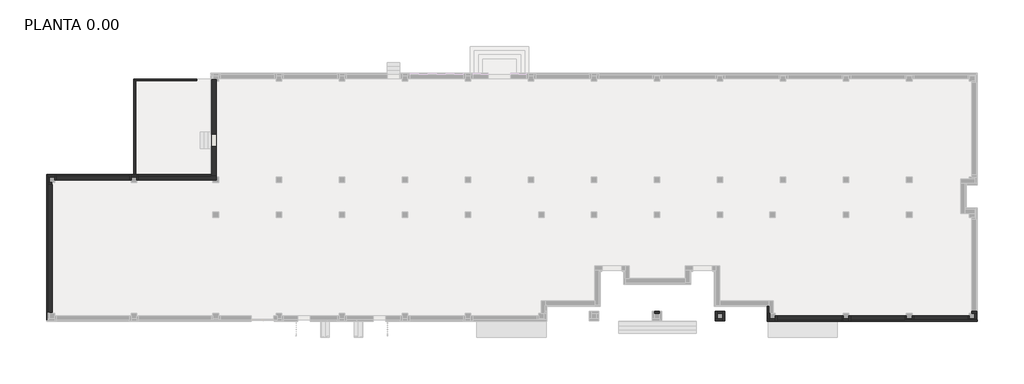
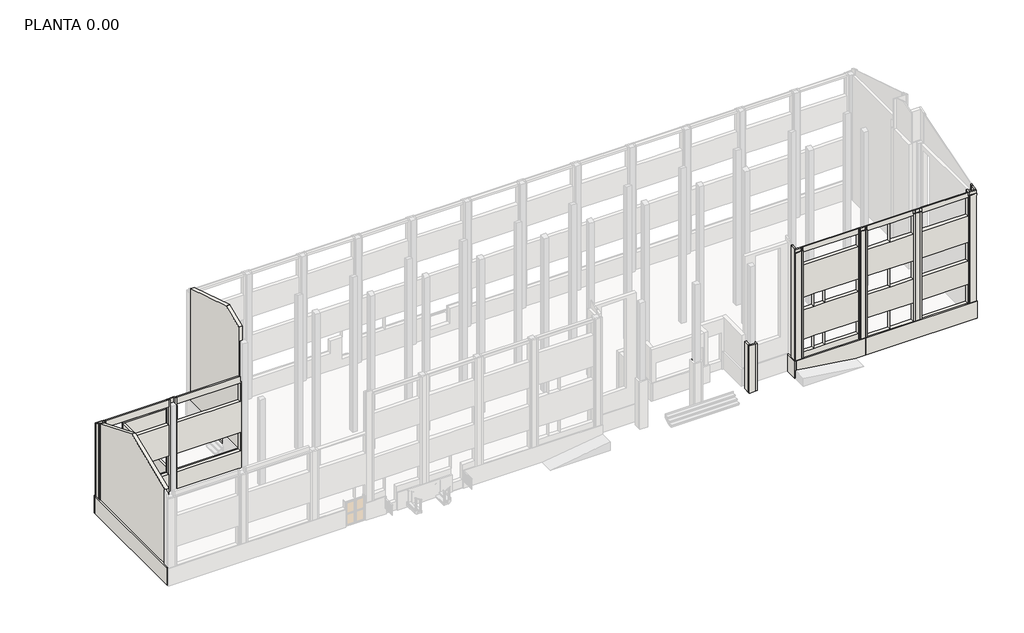
# One storey, part 2 of 6: 38 walls.
"""IFC4 building model written with IfcOpenShell, lengths in millimetres."""

from ifc_helpers import new_model, si_unit, frame, origin, origin_with_axes, place, context, project, spatial, polyline, outline, extrude, faceted_brep, element, save

model = new_model("IFC4")

# Units and contexts
model_context = context("Model", 3, world=origin())
ifc_project = project(units=[si_unit("LENGTHUNIT", "METRE", prefix="MILLI")], contexts=[model_context])

# Site, building, storey
site = spatial("IfcSite", under=ifc_project)
building = spatial("IfcBuilding", under=site)
storey = spatial("IfcBuildingStorey", under=building, Name="PLANTA 0.00", Elevation=0.0)

# Walls
placement = place(None, origin())
element("IfcWall", 1, at=placement, inside=storey, context=model_context, shape_type="Brep", body=[
    faceted_brep([(-31870.0, 9620.0360393, 0.0), (-43580.0, 9620.0360393, 0.0), (-43580.0, 9620.0360393, 1500.0), (-31870.0, 9620.0360393, 1500.0), (-31870.0, 9520.0360393, 0.0), (-31870.0, 9520.0360393, 1500.0), (-43480.0, 9520.0360393, 1500.0), (-43580.0, 9520.0360393, 1500.0), (-43580.0, 9520.0360393, 0.0), (-43480.0, 9520.0360393, 0.0)], [[[0, 1, 2, 3]], [[4, 5, 6, 7, 8, 9]], [[1, 0, 4, 9, 8]], [[3, 2, 7, 6, 5]], [[2, 1, 8, 7]], [[0, 3, 5, 4]]]),
])
element("IfcWall", 2, at=placement, inside=storey, context=model_context, shape_type="SweptSolid", body=[
    extrude(outline(polyline([(-43480.0, 9520.0360393), (-43480.0, -787.1086819), (-43580.0, -787.1086819), (-43580.0, 9520.0360393), (-43480.0, 9520.0360393)])), origin_with_axes(), (0.0, 0.0, 1.0), 1500.0),
])
element("IfcWall", 3, at=placement, inside=storey, context=model_context, shape_type="Brep", body=[
    faceted_brep([(7880.0, 180.0, 0.0), (7880.0, -870.0, 0.0), (7880.0, -870.0, 1500.0), (7880.0, 180.0, 1500.0), (7980.0, 180.0, 0.0), (7980.0, 180.0, 1500.0), (7980.0, -707.1086819, 1500.0), (7980.0, -770.0, 1500.0), (7980.0, -837.1086819, 1500.0), (7980.0, -870.0, 1500.0), (7980.0, -870.0, 0.0), (7980.0, -837.1086819, 0.0), (7980.0, -770.0, 0.0), (7980.0, -707.1086819, 0.0)], [[[0, 1, 2, 3]], [[4, 5, 6, 7, 8, 9, 10, 11, 12, 13]], [[1, 0, 4, 13, 12, 11, 10]], [[3, 2, 9, 8, 7, 6, 5]], [[0, 3, 5, 4]], [[2, 1, 10, 9]]]),
])
element("IfcWall", 4, at=placement, inside=storey, context=model_context, shape_type="Brep", body=[
    faceted_brep([(7980.0, -870.0, 0.0), (22870.0, -870.0, 0.0), (22870.0, -870.0, 1500.0), (7980.0, -870.0, 1500.0), (7980.0, -770.0, 0.0), (7980.0, -770.0, 1500.0), (22130.0, -770.0, 1500.0), (22770.0, -770.0, 1500.0), (22870.0, -770.0, 1500.0), (22870.0, -770.0, 0.0), (22770.0, -770.0, 0.0)], [[[0, 1, 2, 3]], [[4, 5, 6, 7, 8, 9, 10]], [[1, 0, 4, 10, 9]], [[3, 2, 8, 7, 6, 5]], [[0, 3, 5, 4]], [[2, 1, 9, 8]]]),
])
element("IfcWall", 5, ObjectType="ME1_13 cm", at=placement, inside=storey, context=model_context, shape_type="Brep", body=[
    faceted_brep([(-43000.0, 9580.0360393, 0.0), (-43530.0, 9580.0360393, 0.0), (-43530.0, 9580.0360393, 7809.6658856), (-43000.0, 9580.0360393, 7809.6658856), (-43000.0, 9450.0360393, 0.0), (-43000.0, 9450.0360393, 7863.3558856), (-43400.0, 9450.0360393, 7863.3558856), (-43530.0, 9450.0360393, 7863.3558856), (-43530.0, 9450.0360393, 0.0), (-43400.0, 9450.0360393, 0.0)], [[[0, 1, 2, 3]], [[4, 5, 6, 7, 8, 9]], [[1, 0, 4, 9, 8]], [[2, 1, 8, 7]], [[0, 3, 5, 4]], [[3, 2, 7, 6, 5]]]),
])
element("IfcWall", 6, ObjectType="ME1_13 cm", at=placement, inside=storey, context=model_context, shape_type="SweptSolid", body=[
    extrude(outline(polyline([(9450.0360393, 0.0), (9050.0360393, 0.0), (9050.0360393, 8028.5558856), (9450.0360393, 7863.3558856), (9450.0360393, 0.0)])), frame((-43530.0, 0.0, 0.0), z_axis=(1.0, 0.0, 0.0), x_axis=(0.0, 1.0, 0.0)), (0.0, 0.0, 1.0), 130.0),
])
element("IfcWall", 7, ObjectType="ME1_13 cm", at=placement, inside=storey, context=model_context, shape_type="Brep", body=[
    faceted_brep([(-43530.0, 8920.0360393, 0.0), (-43470.0, 8920.0360393, 0.0), (-43200.0, 8920.0360393, 0.0), (-43200.0, 8920.0360393, 8082.2458856), (-43470.0, 8920.0360393, 8082.2458856), (-43530.0, 8920.0360393, 8082.2458856), (-43530.0, 9050.0360393, 0.0), (-43530.0, 9050.0360393, 8028.5558856), (-43400.0, 9050.0360393, 8028.5558856), (-43200.0, 9050.0360393, 8028.5558856), (-43200.0, 9050.0360393, 0.0), (-43400.0, 9050.0360393, 0.0)], [[[0, 1, 2, 3, 4, 5]], [[6, 7, 8, 9, 10, 11]], [[2, 1, 0, 6, 11, 10]], [[3, 2, 10, 9]], [[0, 5, 7, 6]], [[5, 4, 3, 9, 8, 7]]]),
])
element("IfcWall", 8, ObjectType="ME1_13 cm", at=placement, inside=storey, context=model_context, shape_type="Brep", body=[
    faceted_brep([(-43000.0, 9580.0360393, 0.0), (-43000.0, 9450.0360393, 0.0), (-43000.0, 9220.0360393, 0.0), (-43000.0, 9220.0360393, 7958.3458856), (-43000.0, 9450.0360393, 7863.3558856), (-43000.0, 9580.0360393, 7809.6658856), (-42870.0, 9580.0360393, 0.0), (-42870.0, 9580.0360393, 7809.6658856), (-42870.0, 9520.0360393, 7834.4458856), (-42870.0, 9220.0360393, 7958.3458856), (-42870.0, 9220.0360393, 7386.987234), (-42870.0, 9220.0360393, 5786.987234), (-42870.0, 9220.0360393, 3100.0), (-42870.0, 9220.0360393, 1500.0), (-42870.0, 9220.0360393, 0.0), (-42870.0, 9520.0360393, 0.0)], [[[0, 1, 2, 3, 4, 5]], [[6, 7, 8, 9, 10, 11, 12, 13, 14, 15]], [[2, 1, 0, 6, 15, 14]], [[0, 5, 7, 6]], [[3, 2, 14, 13, 12, 11, 10, 9]], [[5, 4, 3, 9, 8, 7]]]),
])
element("IfcWall", 9, ObjectType="ME1_13 cm", at=placement, inside=storey, context=model_context, shape_type="Brep", body=[
    faceted_brep([(-37550.0, 9220.0360393, 0.0), (-37550.0, 9450.0360393, 0.0), (-37550.0, 9580.0360393, 0.0), (-37550.0, 9580.0360393, 7809.6658856), (-37550.0, 9450.0360393, 7863.3558856), (-37550.0, 9220.0360393, 7958.3458856), (-37680.0, 9580.0360393, 0.0), (-37680.0, 9520.0360393, 0.0), (-37680.0, 9220.0360393, 0.0), (-37680.0, 9220.0360393, 1500.0), (-37680.0, 9520.0360393, 1500.0), (-37680.0, 9520.0360393, 3100.0), (-37680.0, 9220.0360393, 3100.0), (-37680.0, 9220.0360393, 5786.987234), (-37680.0, 9520.0360393, 5786.987234), (-37680.0, 9520.0360393, 7386.987234), (-37680.0, 9220.0360393, 7386.987234), (-37680.0, 9220.0360393, 7958.3458856), (-37680.0, 9520.0360393, 7834.4458856), (-37680.0, 9580.0360393, 7809.6658856), (-37669.9680391, 9220.0360393, 7386.987234), (-37669.9680391, 9220.0360393, 5786.987234), (-37669.9680391, 9220.0360393, 3100.0), (-37669.9680391, 9220.0360393, 1500.0), (-37669.9680391, 9520.0360393, 1500.0), (-37669.9680391, 9520.0360393, 3100.0), (-37669.9680391, 9520.0360393, 5786.987234), (-37669.9680391, 9520.0360393, 7386.987234)], [[[0, 1, 2, 3, 4, 5]], [[6, 7, 8, 9, 10, 11, 12, 13, 14, 15, 16, 17, 18, 19]], [[2, 1, 0, 8, 7, 6]], [[3, 2, 6, 19]], [[0, 5, 17, 16, 20, 21, 13, 12, 22, 23, 9, 8]], [[24, 25, 11, 10]], [[25, 24, 23, 22]], [[25, 22, 12, 11]], [[23, 24, 10, 9]], [[26, 27, 15, 14]], [[27, 20, 16, 15]], [[27, 26, 21, 20]], [[21, 26, 14, 13]], [[5, 4, 3, 19, 18, 17]]]),
])
element("IfcWall", 10, ObjectType="ME1_13 cm", at=placement, inside=storey, context=model_context, shape_type="Brep", body=[
    faceted_brep([(-37550.0, 9450.0360393, 0.0), (-37150.0319609, 9450.0360393, 0.0), (-37150.0319609, 9450.0360393, 7863.3558856), (-37550.0, 9450.0360393, 7863.3558856), (-37550.0, 9580.0360393, 0.0), (-37550.0, 9580.0360393, 7809.6658856), (-37150.0319609, 9580.0360393, 7809.6658856), (-37150.0319609, 9580.0360393, 0.0), (-37220.0, 9580.0360393, 0.0), (-37350.0, 9580.0360393, 0.0)], [[[0, 1, 2, 3]], [[4, 5, 6, 7, 8, 9]], [[1, 0, 4, 9, 8, 7]], [[0, 3, 5, 4]], [[2, 1, 7, 6]], [[3, 2, 6, 5]]]),
])
element("IfcWall", 11, ObjectType="ME1_13 cm", at=placement, inside=storey, context=model_context, shape_type="Brep", body=[
    faceted_brep([(-37150.0319609, 9580.0360393, 0.0), (-37150.0319609, 9450.0360393, 0.0), (-37150.0319609, 9220.0360393, 0.0), (-37150.0319609, 9220.0360393, 7958.3458856), (-37150.0319609, 9450.0360393, 7863.3558856), (-37150.0319609, 9580.0360393, 7809.6658856), (-37020.0319609, 9580.0360393, 0.0), (-37020.0319609, 9580.0360393, 7809.6658856), (-37020.0319609, 9520.0360393, 7834.4458856), (-37020.0319609, 9220.0360393, 7958.3458856), (-37020.0319609, 9220.0360393, 7386.987234), (-37020.0319609, 9220.0360393, 5786.987234), (-37020.0319609, 9220.0360393, 3100.0), (-37020.0319609, 9220.0360393, 1500.0), (-37020.0319609, 9220.0360393, 0.0), (-37020.0319609, 9520.0360393, 0.0)], [[[0, 1, 2, 3, 4, 5]], [[6, 7, 8, 9, 10, 11, 12, 13, 14, 15]], [[2, 1, 0, 6, 15, 14]], [[0, 5, 7, 6]], [[3, 2, 14, 13, 12, 11, 10, 9]], [[5, 4, 3, 9, 8, 7]]]),
])
element("IfcWall", 12, ObjectType="ME1_13 cm", at=placement, inside=storey, context=model_context, shape_type="Brep", body=[
    faceted_brep([(22470.0, -307.1086819, 0.0), (22690.0, -307.1086819, 0.0), (22820.0, -307.1086819, 0.0), (22820.0, -307.1086819, 11236.1425682), (22700.0, -307.1086819, 11236.1425682), (22700.0, -307.1086819, 10840.0), (22470.0, -307.1086819, 10840.0), (22470.0, -177.1086819, 0.0), (22470.0, -177.1086819, 10840.0), (22700.0, -177.1086819, 10840.0), (22700.0, -177.1086819, 11276.4425682), (22770.0, -177.1086819, 11276.4425682), (22820.0, -177.1086819, 11276.4425682), (22820.0, -177.1086819, 0.0), (22770.0, -177.1086819, 0.0)], [[[0, 1, 2, 3, 4, 5, 6]], [[7, 8, 9, 10, 11, 12, 13, 14]], [[2, 1, 0, 7, 14, 13]], [[3, 2, 13, 12]], [[0, 6, 8, 7]], [[4, 10, 9, 5]], [[6, 5, 9, 8]], [[4, 3, 12, 11, 10]]]),
])
element("IfcWall", 13, ObjectType="ME1_13 cm", at=placement, inside=storey, context=model_context, shape_type="Brep", body=[
    faceted_brep([(22690.0, -307.1086819, 0.0), (22690.0, -707.1086819, 0.0), (22690.0, -707.1086819, 11112.1425682), (22690.0, -307.1086819, 11236.1425682), (22820.0, -307.1086819, 0.0), (22820.0, -307.1086819, 11236.1425682), (22820.0, -707.1086819, 11112.1425682), (22820.0, -707.1086819, 10663.8), (22820.0, -707.1086819, 0.0), (22770.0, -707.1086819, 0.0), (22700.0, -307.1086819, 11236.1425682)], [[[0, 1, 2, 3]], [[4, 5, 6, 7, 8]], [[1, 0, 4, 8, 9]], [[0, 3, 10, 5, 4]], [[3, 2, 6, 5, 10]], [[1, 9, 8, 7, 6, 2]]]),
])
element("IfcWall", 14, ObjectType="ME1_13 cm", at=placement, inside=storey, context=model_context, shape_type="Brep", body=[
    faceted_brep([(22770.0, -707.1086819, 10663.8), (22770.0, -707.1086819, 0.0), (22690.0, -707.1086819, 0.0), (22300.0, -707.1086819, 0.0), (22300.0, -707.1086819, 11112.1425682), (22690.0, -707.1086819, 11112.1425682), (22820.0, -707.1086819, 11112.1425682), (22820.0, -707.1086819, 10663.8), (22770.0, -837.1086819, 0.0), (22770.0, -837.1086819, 10663.8), (22820.0, -837.1086819, 10663.8), (22820.0, -837.1086819, 10840.0), (22300.0, -837.1086819, 10840.0), (22300.0, -837.1086819, 0.0), (22770.0, -770.0, 0.0), (22300.0, -778.5363213, 10840.0), (22300.0, -778.5363213, 11090.0), (22820.0, -778.5363213, 11090.0), (22820.0, -778.5363213, 10840.0), (22770.0, -770.0, 10663.8)], [[[0, 1, 2, 3, 4, 5, 6, 7]], [[8, 9, 10, 11, 12, 13]], [[3, 2, 1, 14, 8, 13]], [[4, 3, 13, 12, 15, 16]], [[6, 5, 4, 16, 17]], [[15, 12, 11, 18]], [[15, 18, 17, 16]], [[7, 10, 9, 19, 0]], [[0, 19, 9, 8, 14, 1]], [[7, 6, 17, 18, 11, 10]]]),
])
element("IfcWall", 15, ObjectType="ME1_13 cm", at=placement, inside=storey, context=model_context, shape_type="Brep", body=[
    faceted_brep([(22300.0, -837.1086819, 0.0), (22300.0, -707.1086819, 0.0), (22300.0, -477.1086819, 0.0), (22300.0, -477.1086819, 11183.4425682), (22300.0, -707.1086819, 11112.1425682), (22300.0, -778.5363213, 11090.0), (22300.0, -778.5363213, 10840.0), (22300.0, -837.1086819, 10840.0), (22170.0, -837.1086819, 0.0), (22170.0, -837.1086819, 10840.0), (22170.0, -778.5363213, 10840.0), (22170.0, -778.5363213, 11090.0), (22170.0, -777.1086819, 11090.4425682), (22170.0, -707.1086819, 11112.1425682), (22170.0, -477.1086819, 11183.4425682), (22170.0, -477.1086819, 10840.0), (22170.0, -477.1086819, 0.0), (22170.0, -777.1086819, 0.0)], [[[0, 1, 2, 3, 4, 5, 6, 7]], [[8, 9, 10, 11, 12, 13, 14, 15, 16, 17]], [[2, 1, 0, 8, 17, 16]], [[0, 7, 9, 8]], [[7, 6, 10, 9]], [[10, 6, 5, 11]], [[5, 4, 3, 14, 13, 12, 11]], [[3, 2, 16, 15, 14]]]),
])
element("IfcWall", 16, ObjectType="ME1_13 cm", at=placement, inside=storey, context=model_context, shape_type="Brep", body=[
    faceted_brep([(18200.0, -477.1086819, 0.0), (18200.0, -707.1086819, 0.0), (18200.0, -837.1086819, 0.0), (18200.0, -837.1086819, 10840.0), (18200.0, -778.5363213, 10840.0), (18200.0, -778.5363213, 11090.0), (18200.0, -707.1086819, 11112.1425682), (18200.0, -707.1086819, 10840.0), (18200.0, -477.1086819, 10840.0), (18330.0, -477.1086819, 0.0), (18330.0, -477.1086819, 10840.0), (18330.0, -707.1086819, 10840.0), (18330.0, -707.1086819, 11112.1425682), (18330.0, -777.1086819, 11090.4425682), (18330.0, -778.5363213, 11090.0), (18330.0, -778.5363213, 10840.0), (18330.0, -837.1086819, 10840.0), (18330.0, -837.1086819, 0.0), (18330.0, -777.1086819, 0.0)], [[[0, 1, 2, 3, 4, 5, 6, 7, 8]], [[9, 10, 11, 12, 13, 14, 15, 16, 17, 18]], [[2, 1, 0, 9, 18, 17]], [[0, 8, 10, 9]], [[6, 12, 11, 7]], [[8, 7, 11, 10]], [[4, 3, 16, 15]], [[4, 15, 14, 5]], [[6, 5, 14, 13, 12]], [[2, 17, 16, 3]]]),
])
element("IfcWall", 17, ObjectType="ME1_13 cm", at=placement, inside=storey, context=model_context, shape_type="Brep", body=[
    faceted_brep([(18200.0, -707.1086819, 11112.1425682), (18200.0, -707.1086819, 10840.0), (18200.0, -707.1086819, 0.0), (17800.0, -707.1086819, 0.0), (17800.0, -707.1086819, 10840.0), (17800.0, -707.1086819, 11112.1425682), (18200.0, -837.1086819, 0.0), (18200.0, -837.1086819, 10840.0), (17800.0, -837.1086819, 10840.0), (17800.0, -837.1086819, 0.0), (17800.0, -778.5363213, 10840.0), (17800.0, -778.5363213, 11090.0), (18200.0, -778.5363213, 11090.0), (18200.0, -778.5363213, 10840.0)], [[[0, 1, 2, 3, 4, 5]], [[6, 7, 8, 9]], [[3, 2, 6, 9]], [[5, 4, 3, 9, 8, 10, 11]], [[0, 5, 11, 12]], [[10, 8, 7, 13]], [[10, 13, 12, 11]], [[0, 12, 13, 7, 6, 2, 1]]]),
])
element("IfcWall", 18, ObjectType="ME1_13 cm", at=placement, inside=storey, context=model_context, shape_type="Brep", body=[
    faceted_brep([(17800.0, -837.1086819, 0.0), (17800.0, -707.1086819, 0.0), (17800.0, -477.1086819, 0.0), (17800.0, -477.1086819, 10840.0), (17800.0, -707.1086819, 10840.0), (17800.0, -707.1086819, 11112.1425682), (17800.0, -778.5363213, 11090.0), (17800.0, -778.5363213, 10840.0), (17800.0, -837.1086819, 10840.0), (17670.0, -837.1086819, 0.0), (17670.0, -837.1086819, 10840.0), (17670.0, -778.5363213, 10840.0), (17670.0, -778.5363213, 11090.0), (17670.0, -777.1086819, 11090.4425682), (17670.0, -707.1086819, 11112.1425682), (17670.0, -707.1086819, 10840.0), (17670.0, -477.1086819, 10840.0), (17670.0, -477.1086819, 0.0), (17670.0, -777.1086819, 0.0)], [[[0, 1, 2, 3, 4, 5, 6, 7, 8]], [[9, 10, 11, 12, 13, 14, 15, 16, 17, 18]], [[2, 1, 0, 9, 18, 17]], [[0, 8, 10, 9]], [[3, 2, 17, 16]], [[14, 5, 4, 15]], [[4, 3, 16, 15]], [[8, 7, 11, 10]], [[11, 7, 6, 12]], [[6, 5, 14, 13, 12]]]),
])
element("IfcWall", 19, ObjectType="ME1_13 cm", at=placement, inside=storey, context=model_context, shape_type="Brep", body=[
    faceted_brep([(13700.0, -477.1086819, 0.0), (13700.0, -707.1086819, 0.0), (13700.0, -837.1086819, 0.0), (13700.0, -837.1086819, 10840.0), (13700.0, -778.5363213, 10840.0), (13700.0, -778.5363213, 11090.0), (13700.0, -707.1086819, 11112.1425682), (13700.0, -707.1086819, 10840.0), (13700.0, -477.1086819, 10840.0), (13830.0, -477.1086819, 0.0), (13830.0, -477.1086819, 10840.0), (13830.0, -707.1086819, 10840.0), (13830.0, -707.1086819, 11112.1425682), (13830.0, -777.1086819, 11090.4425682), (13830.0, -778.5363213, 11090.0), (13830.0, -778.5363213, 10840.0), (13830.0, -837.1086819, 10840.0), (13830.0, -837.1086819, 0.0), (13830.0, -777.1086819, 0.0)], [[[0, 1, 2, 3, 4, 5, 6, 7, 8]], [[9, 10, 11, 12, 13, 14, 15, 16, 17, 18]], [[2, 1, 0, 9, 18, 17]], [[0, 8, 10, 9]], [[6, 12, 11, 7]], [[8, 7, 11, 10]], [[4, 3, 16, 15]], [[4, 15, 14, 5]], [[6, 5, 14, 13, 12]], [[2, 17, 16, 3]]]),
])
element("IfcWall", 20, ObjectType="ME1_13 cm", at=placement, inside=storey, context=model_context, shape_type="Brep", body=[
    faceted_brep([(13700.0, -707.1086819, 11112.1425682), (13700.0, -707.1086819, 10840.0), (13700.0, -707.1086819, 0.0), (13300.0, -707.1086819, 0.0), (13300.0, -707.1086819, 10840.0), (13300.0, -707.1086819, 11112.1425682), (13700.0, -837.1086819, 0.0), (13700.0, -837.1086819, 10840.0), (13300.0, -837.1086819, 10840.0), (13300.0, -837.1086819, 0.0), (13300.0, -778.5363213, 10840.0), (13300.0, -778.5363213, 11090.0), (13700.0, -778.5363213, 11090.0), (13700.0, -778.5363213, 10840.0)], [[[0, 1, 2, 3, 4, 5]], [[6, 7, 8, 9]], [[3, 2, 6, 9]], [[5, 4, 3, 9, 8, 10, 11]], [[0, 5, 11, 12]], [[10, 8, 7, 13]], [[10, 13, 12, 11]], [[0, 12, 13, 7, 6, 2, 1]]]),
])
element("IfcWall", 21, ObjectType="ME1_13 cm", at=placement, inside=storey, context=model_context, shape_type="Brep", body=[
    faceted_brep([(13300.0, -837.1086819, 0.0), (13300.0, -707.1086819, 0.0), (13300.0, -470.0, 0.0), (13300.0, -470.0, 10840.0), (13300.0, -707.1086819, 10840.0), (13300.0, -707.1086819, 11112.1425682), (13300.0, -778.5363213, 11090.0), (13300.0, -778.5363213, 10840.0), (13300.0, -837.1086819, 10840.0), (13170.0, -837.1086819, 0.0), (13170.0, -837.1086819, 10840.0), (13170.0, -778.5363213, 10840.0), (13170.0, -778.5363213, 11090.0), (13170.0, -770.0, 11092.6462596), (13170.0, -707.1086819, 11112.1425682), (13170.0, -707.1086819, 10840.0), (13170.0, -470.0, 10840.0), (13170.0, -470.0, 0.0), (13170.0, -770.0, 0.0)], [[[0, 1, 2, 3, 4, 5, 6, 7, 8]], [[9, 10, 11, 12, 13, 14, 15, 16, 17, 18]], [[2, 1, 0, 9, 18, 17]], [[0, 8, 10, 9]], [[3, 2, 17, 16]], [[14, 5, 4, 15]], [[4, 3, 16, 15]], [[8, 7, 11, 10]], [[11, 7, 6, 12]], [[6, 5, 14, 13, 12]]]),
])
element("IfcWall", 22, ObjectType="ME1_13 cm", at=placement, inside=storey, context=model_context, shape_type="Brep", body=[
    faceted_brep([(8450.0, -470.0, 0.0), (8450.0, -707.1086819, 0.0), (8450.0, -837.1086819, 0.0), (8450.0, -837.1086819, 10840.0), (8450.0, -778.5363213, 10840.0), (8450.0, -778.5363213, 11090.0), (8450.0, -707.1086819, 11112.1425682), (8450.0, -707.1086819, 10840.0), (8450.0, -470.0, 10840.0), (8580.0, -837.1086819, 0.0), (8580.0, -770.0, 0.0), (8580.0, -470.0, 0.0), (8580.0, -470.0, 2000.0), (8580.0, -770.0, 2000.0), (8580.0, -770.0, 3100.0), (8580.0, -470.0, 3100.0), (8580.0, -470.0, 5650.0), (8580.0, -770.0, 5650.0), (8580.0, -770.0, 6750.0), (8580.0, -470.0, 6750.0), (8580.0, -470.0, 9563.7791781), (8580.0, -770.0, 9563.7791781), (8580.0, -770.0, 10663.7791781), (8580.0, -470.0, 10663.7791781), (8580.0, -470.0, 10840.0), (8580.0, -707.1086819, 10840.0), (8580.0, -707.1086819, 11112.1425682), (8580.0, -770.0, 11092.6462596), (8580.0, -778.5363213, 11090.0), (8580.0, -778.5363213, 10840.0), (8580.0, -837.1086819, 10840.0), (8578.5, -470.0, 10663.7791781), (8578.5, -470.0, 9563.7791781), (8573.5, -470.0, 6750.0), (8573.5, -470.0, 5650.0), (8573.5, -470.0, 3100.0), (8573.5, -470.0, 2000.0), (8573.5, -770.0, 5650.0), (8573.5, -770.0, 6750.0), (8573.5, -770.0, 2000.0), (8573.5, -770.0, 3100.0), (8578.5, -770.0, 9563.7791781), (8578.5, -770.0, 10663.7791781)], [[[0, 1, 2, 3, 4, 5, 6, 7, 8]], [[9, 10, 11, 12, 13, 14, 15, 16, 17, 18, 19, 20, 21, 22, 23, 24, 25, 26, 27, 28, 29, 30]], [[2, 1, 0, 11, 10, 9]], [[0, 8, 24, 23, 31, 32, 20, 19, 33, 34, 16, 15, 35, 36, 12, 11]], [[26, 25, 7, 6]], [[8, 7, 25, 24]], [[3, 30, 29, 4]], [[4, 29, 28, 5]], [[26, 6, 5, 28, 27]], [[2, 9, 30, 3]], [[37, 38, 18, 17]], [[38, 37, 34, 33]], [[38, 33, 19, 18]], [[34, 37, 17, 16]], [[39, 40, 14, 13]], [[40, 39, 36, 35]], [[40, 35, 15, 14]], [[36, 39, 13, 12]], [[41, 42, 22, 21]], [[42, 41, 32, 31]], [[42, 31, 23, 22]], [[32, 41, 21, 20]]]),
])
element("IfcWall", 23, ObjectType="ME1_13 cm", at=placement, inside=storey, context=model_context, shape_type="Brep", body=[
    faceted_brep([(8450.0, -707.1086819, 11112.1425682), (8450.0, -707.1086819, 10840.0), (8450.0, -707.1086819, 0.0), (8050.0, -707.1086819, 0.0), (7980.0, -707.1086819, 0.0), (7980.0, -707.1086819, 1500.0), (7920.0, -707.1086819, 1500.0), (7920.0, -707.1086819, 11112.1425682), (8050.0, -707.1086819, 11112.1425682), (8450.0, -837.1086819, 0.0), (8450.0, -837.1086819, 10840.0), (7920.0, -837.1086819, 10840.0), (7920.0, -837.1086819, 1500.0), (7980.0, -837.1086819, 1500.0), (7980.0, -837.1086819, 0.0), (7920.0, -778.5363213, 11090.0), (8450.0, -778.5363213, 11090.0), (7920.0, -778.5363213, 10840.0), (8450.0, -778.5363213, 10840.0)], [[[0, 1, 2, 3, 4, 5, 6, 7, 8]], [[9, 10, 11, 12, 13, 14]], [[4, 3, 2, 9, 14]], [[0, 8, 7, 15, 16]], [[17, 11, 10, 18]], [[17, 18, 16, 15]], [[12, 6, 5, 13]], [[5, 4, 14, 13]], [[6, 12, 11, 17, 15, 7]], [[0, 16, 18, 10, 9, 2, 1]]]),
])
element("IfcWall", 24, ObjectType="ME1_13 cm", at=placement, inside=storey, context=model_context, shape_type="Brep", body=[
    faceted_brep([(8050.0, -707.1086819, 11112.1425682), (8050.0, -707.1086819, 0.0), (8050.0, -307.1086819, 0.0), (8050.0, -307.1086819, 10840.0), (8050.0, -307.1086819, 11236.1425682), (7920.0, -707.1086819, 0.0), (7920.0, -707.1086819, 1500.0), (7920.0, -707.1086819, 11112.1425682), (7920.0, -307.1086819, 11236.1425682), (7920.0, -307.1086819, 0.0), (7980.0, -707.1086819, 0.0), (7980.0, -307.1086819, 0.0), (7980.0, -307.1086819, 11236.1425682)], [[[0, 1, 2, 3, 4]], [[5, 6, 7, 8, 9]], [[2, 1, 10, 5, 9, 11]], [[4, 3, 2, 11, 9, 8, 12]], [[0, 4, 12, 8, 7]], [[0, 7, 6, 5, 10, 1]]]),
])
element("IfcWall", 25, ObjectType="ME1_13 cm", at=placement, inside=storey, context=model_context, shape_type="Brep", body=[
    faceted_brep([(4700.0, -177.1086819, 0.0), (4700.0, -307.1086819, 0.0), (4700.0, -707.1086819, 0.0), (4700.0, -837.1086819, 0.0), (4700.0, -837.1086819, 4100.0), (4700.0, -707.1086819, 4100.0), (4700.0, -307.1086819, 4100.0), (4700.0, -242.1086819, 4100.0), (4700.0, -177.1086819, 4100.0), (4830.0, -177.1086819, 0.0), (4830.0, -177.1086819, 4100.0), (4830.0, -242.1086819, 4100.0), (4830.0, -837.1086819, 4100.0), (4830.0, -837.1086819, 0.0)], [[[0, 1, 2, 3, 4, 5, 6, 7, 8]], [[9, 10, 11, 12, 13]], [[3, 2, 1, 0, 9, 13]], [[8, 7, 6, 5, 4, 12, 11, 10]], [[4, 3, 13, 12]], [[0, 8, 10, 9]]]),
])
element("IfcWall", 26, ObjectType="ME1_13 cm", at=placement, inside=storey, context=model_context, shape_type="Brep", body=[
    faceted_brep([(4700.0, -707.1086819, 0.0), (4300.0, -707.1086819, 0.0), (4170.0, -707.1086819, 0.0), (4170.0, -707.1086819, 4100.0), (4300.0, -707.1086819, 4100.0), (4700.0, -707.1086819, 4100.0), (4700.0, -837.1086819, 0.0), (4700.0, -837.1086819, 4100.0), (4170.0, -837.1086819, 4100.0), (4170.0, -837.1086819, 0.0)], [[[0, 1, 2, 3, 4, 5]], [[6, 7, 8, 9]], [[2, 1, 0, 6, 9]], [[5, 4, 3, 8, 7]], [[0, 5, 7, 6]], [[2, 9, 8, 3]]]),
])
element("IfcWall", 27, ObjectType="ME1_13 cm", at=placement, inside=storey, context=model_context, shape_type="Brep", body=[
    faceted_brep([(4300.0, -707.1086819, 4100.0), (4300.0, -707.1086819, 0.0), (4300.0, -307.1086819, 0.0), (4300.0, -177.1086819, 0.0), (4300.0, -177.1086819, 4100.0), (4300.0, -307.1086819, 4100.0), (4170.0, -707.1086819, 0.0), (4170.0, -707.1086819, 4100.0), (4170.0, -177.1086819, 4100.0), (4170.0, -177.1086819, 0.0)], [[[0, 1, 2, 3, 4, 5]], [[6, 7, 8, 9]], [[3, 2, 1, 6, 9]], [[0, 5, 4, 8, 7]], [[4, 3, 9, 8]], [[0, 7, 6, 1]]]),
])
element("IfcWall", 28, ObjectType="ME1_13 cm", at=placement, inside=storey, context=model_context, shape_type="SweptSolid", body=[
    extrude(outline(polyline([(4700.0, -307.1086819), (4300.0, -307.1086819), (4300.0, -177.1086819), (4700.0, -177.1086819), (4700.0, -307.1086819)])), origin_with_axes(), (0.0, 0.0, 1.0), 4100.0),
])
element("IfcWall", 29, ObjectType="ME1_13 cm", at=placement, inside=storey, context=model_context, shape_type="SweptSolid", body=[
    extrude(outline(polyline([(200.0, -307.1086819), (-200.0, -307.1086819), (-200.0, -177.1086819), (200.0, -177.1086819), (200.0, -307.1086819)])), origin_with_axes(), (0.0, 0.0, 1.0), 4100.0),
])
element("IfcWall", 30, ObjectType="ME1_13 cm", at=placement, inside=storey, context=model_context, shape_type="Brep", body=[
    faceted_brep([(-32870.0, 16450.0, 0.0), (-37350.0, 16450.0, 0.0), (-37350.0, 16450.0, 1500.0), (-32870.0, 16450.0, 1500.0), (-32870.0, 16320.0, 0.0), (-32870.0, 16320.0, 1500.0), (-37220.0, 16320.0, 1500.0), (-37350.0, 16320.0, 1500.0), (-37350.0, 16320.0, 0.0), (-37220.0, 16320.0, 0.0)], [[[0, 1, 2, 3]], [[4, 5, 6, 7, 8, 9]], [[1, 0, 4, 9, 8]], [[3, 2, 7, 6, 5]], [[0, 3, 5, 4]], [[2, 1, 8, 7]]]),
])
element("IfcWall", 31, ObjectType="ME1_13 cm", at=placement, inside=storey, context=model_context, shape_type="SweptSolid", body=[
    extrude(outline(polyline([(-37350.0, 9580.0360393), (-37350.0, 16320.0), (-37220.0, 16320.0), (-37220.0, 9580.0360393), (-37350.0, 9580.0360393)])), origin_with_axes(), (0.0, 0.0, 1.0), 1500.0),
])
element("IfcWall", 32, ObjectType="ME4_30 cm", at=placement, inside=storey, context=model_context, shape_type="Brep", body=[
    faceted_brep([(22170.0, -477.1086819, 0.0), (18330.0, -477.1086819, 0.0), (18330.0, -477.1086819, 10840.0), (22170.0, -477.1086819, 10840.0), (18335.0, -477.1086819, 3100.0), (18335.0, -477.1086819, 1500.0), (22135.0, -477.1086819, 1500.0), (22135.0, -477.1086819, 3100.0), (22135.0, -477.1086819, 5150.0), (22135.0, -477.1086819, 6750.0), (18335.0, -477.1086819, 6750.0), (18335.0, -477.1086819, 5150.0), (18335.0, -477.1086819, 9063.7791781), (22135.0, -477.1086819, 9063.7791781), (22135.0, -477.1086819, 10663.7791781), (18335.0, -477.1086819, 10663.7791781), (18330.0, -777.1086819, 0.0), (22170.0, -777.1086819, 0.0), (22170.0, -777.1086819, 11090.4425682), (18330.0, -777.1086819, 11090.4425682), (18335.0, -777.1086819, 1500.0), (18335.0, -777.1086819, 3100.0), (22135.0, -777.1086819, 3100.0), (22135.0, -777.1086819, 1500.0), (22135.0, -777.1086819, 6750.0), (22135.0, -777.1086819, 5150.0), (18335.0, -777.1086819, 5150.0), (18335.0, -777.1086819, 6750.0), (18335.0, -777.1086819, 10663.7791781), (22135.0, -777.1086819, 10663.7791781), (22135.0, -777.1086819, 9063.7791781), (18335.0, -777.1086819, 9063.7791781), (18330.0, -707.1086819, 11112.1425682), (18330.0, -707.1086819, 10840.0), (22170.0, -707.1086819, 11112.1425682), (22170.0, -707.1086819, 10840.0)], [[[0, 1, 2, 3], [4, 5, 6, 7], [8, 9, 10, 11], [12, 13, 14, 15]], [[16, 17, 18, 19], [20, 21, 22, 23], [24, 25, 26, 27], [28, 29, 30, 31]], [[1, 0, 17, 16]], [[2, 1, 16, 19, 32, 33]], [[33, 32, 34, 35]], [[3, 2, 33, 35]], [[21, 20, 5, 4]], [[21, 4, 7, 22]], [[5, 20, 23, 6]], [[6, 23, 22, 7]], [[9, 8, 25, 24]], [[9, 24, 27, 10]], [[25, 8, 11, 26]], [[26, 11, 10, 27]], [[14, 13, 30, 29]], [[14, 29, 28, 15]], [[12, 31, 30, 13]], [[31, 12, 15, 28]], [[32, 19, 18, 34]], [[0, 3, 35, 34, 18, 17]]]),
])
element("IfcWall", 33, ObjectType="ME4_30 cm", at=placement, inside=storey, context=model_context, shape_type="Brep", body=[
    faceted_brep([(17670.0, -477.1086819, 0.0), (13830.0, -477.1086819, 0.0), (13830.0, -477.1086819, 10840.0), (17670.0, -477.1086819, 10840.0), (13835.0, -477.1086819, 1500.0), (15735.0, -477.1086819, 1500.0), (15735.0, -477.1086819, 3100.0), (13835.0, -477.1086819, 3100.0), (15745.0, -477.1086819, 1500.0), (17645.0, -477.1086819, 1500.0), (17645.0, -477.1086819, 3100.0), (15745.0, -477.1086819, 3100.0), (15745.0, -477.1086819, 5150.0), (17645.0, -477.1086819, 5150.0), (17645.0, -477.1086819, 6750.0), (15745.0, -477.1086819, 6750.0), (13835.0, -477.1086819, 5150.0), (15735.0, -477.1086819, 5150.0), (15735.0, -477.1086819, 6750.0), (13835.0, -477.1086819, 6750.0), (15745.0, -477.1086819, 9063.7791781), (17645.0, -477.1086819, 9063.7791781), (17645.0, -477.1086819, 10663.7791781), (15745.0, -477.1086819, 10663.7791781), (13835.0, -477.1086819, 9063.7791781), (15735.0, -477.1086819, 9063.7791781), (15735.0, -477.1086819, 10663.7791781), (13835.0, -477.1086819, 10663.7791781), (17670.0, -777.1086819, 0.0), (17670.0, -777.1086819, 11090.4425682), (13830.0, -777.1086819, 11090.4425682), (13830.0, -777.1086819, 0.0), (13835.0, -777.1086819, 1500.0), (13835.0, -777.1086819, 3100.0), (15735.0, -777.1086819, 3100.0), (15735.0, -777.1086819, 1500.0), (15745.0, -777.1086819, 1500.0), (15745.0, -777.1086819, 3100.0), (17645.0, -777.1086819, 3100.0), (17645.0, -777.1086819, 1500.0), (15745.0, -777.1086819, 5150.0), (15745.0, -777.1086819, 6750.0), (17645.0, -777.1086819, 6750.0), (17645.0, -777.1086819, 5150.0), (13835.0, -777.1086819, 5150.0), (13835.0, -777.1086819, 6750.0), (15735.0, -777.1086819, 6750.0), (15735.0, -777.1086819, 5150.0), (15745.0, -777.1086819, 9063.7791781), (15745.0, -777.1086819, 10663.7791781), (17645.0, -777.1086819, 10663.7791781), (17645.0, -777.1086819, 9063.7791781), (13835.0, -777.1086819, 9063.7791781), (13835.0, -777.1086819, 10663.7791781), (15735.0, -777.1086819, 10663.7791781), (15735.0, -777.1086819, 9063.7791781), (17670.0, -707.1086819, 10840.0), (17670.0, -707.1086819, 11112.1425682), (13830.0, -707.1086819, 11112.1425682), (13830.0, -707.1086819, 10840.0)], [[[0, 1, 2, 3], [4, 5, 6, 7], [8, 9, 10, 11], [12, 13, 14, 15], [16, 17, 18, 19], [20, 21, 22, 23], [24, 25, 26, 27]], [[28, 29, 30, 31], [32, 33, 34, 35], [36, 37, 38, 39], [40, 41, 42, 43], [44, 45, 46, 47], [48, 49, 50, 51], [52, 53, 54, 55]], [[1, 0, 28, 31]], [[0, 3, 56, 57, 29, 28]], [[2, 1, 31, 30, 58, 59]], [[58, 57, 56, 59]], [[3, 2, 59, 56]], [[33, 32, 4, 7]], [[34, 33, 7, 6]], [[35, 34, 6, 5]], [[32, 35, 5, 4]], [[37, 36, 8, 11]], [[38, 37, 11, 10]], [[39, 38, 10, 9]], [[36, 39, 9, 8]], [[41, 40, 12, 15]], [[42, 41, 15, 14]], [[43, 42, 14, 13]], [[40, 43, 13, 12]], [[45, 44, 16, 19]], [[46, 45, 19, 18]], [[47, 46, 18, 17]], [[44, 47, 17, 16]], [[49, 48, 20, 23]], [[50, 49, 23, 22]], [[51, 50, 22, 21]], [[48, 51, 21, 20]], [[53, 52, 24, 27]], [[54, 53, 27, 26]], [[55, 54, 26, 25]], [[52, 55, 25, 24]], [[58, 30, 29, 57]]]),
])
element("IfcWall", 34, ObjectType="ME4_30 cm", at=placement, inside=storey, context=model_context, shape_type="Brep", body=[
    faceted_brep([(13170.0, -470.0, 0.0), (8580.0, -470.0, 0.0), (8580.0, -470.0, 2000.0), (9486.5, -470.0, 2000.0), (9486.5, -470.0, 3100.0), (8580.0, -470.0, 3100.0), (8580.0, -470.0, 5650.0), (9486.5, -470.0, 5650.0), (9486.5, -470.0, 6750.0), (8580.0, -470.0, 6750.0), (8580.0, -470.0, 9563.7791781), (13137.5, -470.0, 9563.7791781), (13137.5, -470.0, 10663.7791781), (8580.0, -470.0, 10663.7791781), (8580.0, -470.0, 10840.0), (13170.0, -470.0, 10840.0), (13146.5, -470.0, 5650.0), (13146.5, -470.0, 6750.0), (10408.5, -470.0, 6750.0), (10408.5, -470.0, 5650.0), (9493.5, -470.0, 6750.0), (9493.5, -470.0, 5650.0), (10406.5, -470.0, 5650.0), (10406.5, -470.0, 6750.0), (9488.5, -470.0, 3100.0), (9488.5, -470.0, 2000.0), (10401.5, -470.0, 2000.0), (10401.5, -470.0, 3100.0), (10403.5, -470.0, 3100.0), (10403.5, -470.0, 2000.0), (13141.5, -470.0, 2000.0), (13141.5, -470.0, 3100.0), (8580.0, -770.0, 0.0), (13170.0, -770.0, 0.0), (13170.0, -770.0, 11092.6462596), (8580.0, -770.0, 11092.6462596), (8580.0, -770.0, 10663.7791781), (13137.5, -770.0, 10663.7791781), (13137.5, -770.0, 9563.7791781), (8580.0, -770.0, 9563.7791781), (8580.0, -770.0, 6750.0), (9486.5, -770.0, 6750.0), (9486.5, -770.0, 5650.0), (8580.0, -770.0, 5650.0), (8580.0, -770.0, 3100.0), (9486.5, -770.0, 3100.0), (9486.5, -770.0, 2000.0), (8580.0, -770.0, 2000.0), (13146.5, -770.0, 6750.0), (13146.5, -770.0, 5650.0), (10408.5, -770.0, 5650.0), (10408.5, -770.0, 6750.0), (9493.5, -770.0, 5650.0), (9493.5, -770.0, 6750.0), (10406.5, -770.0, 6750.0), (10406.5, -770.0, 5650.0), (9488.5, -770.0, 2000.0), (9488.5, -770.0, 3100.0), (10401.5, -770.0, 3100.0), (10401.5, -770.0, 2000.0), (10403.5, -770.0, 2000.0), (10403.5, -770.0, 3100.0), (13141.5, -770.0, 3100.0), (13141.5, -770.0, 2000.0), (13170.0, -707.1086819, 10840.0), (13170.0, -707.1086819, 11112.1425682), (8580.0, -707.1086819, 11112.1425682), (8580.0, -707.1086819, 10840.0)], [[[0, 1, 2, 3, 4, 5, 6, 7, 8, 9, 10, 11, 12, 13, 14, 15], [16, 17, 18, 19], [20, 21, 22, 23], [24, 25, 26, 27], [28, 29, 30, 31]], [[32, 33, 34, 35, 36, 37, 38, 39, 40, 41, 42, 43, 44, 45, 46, 47], [48, 49, 50, 51], [52, 53, 54, 55], [56, 57, 58, 59], [60, 61, 62, 63]], [[1, 0, 33, 32]], [[0, 15, 64, 65, 34, 33]], [[1, 32, 47, 2]], [[44, 43, 6, 5]], [[66, 67, 14, 13, 36, 35]], [[9, 40, 39, 10]], [[65, 64, 67, 66]], [[15, 14, 67, 64]], [[17, 48, 51, 18]], [[49, 48, 17, 16]], [[49, 16, 19, 50]], [[50, 19, 18, 51]], [[52, 21, 20, 53]], [[23, 54, 53, 20]], [[54, 23, 22, 55]], [[55, 22, 21, 52]], [[8, 41, 40, 9]], [[41, 8, 7, 42]], [[42, 7, 6, 43]], [[36, 13, 12, 37]], [[10, 39, 38, 11]], [[66, 35, 34, 65]], [[4, 45, 44, 5]], [[45, 4, 3, 46]], [[46, 3, 2, 47]], [[57, 56, 25, 24]], [[58, 57, 24, 27]], [[59, 58, 27, 26]], [[56, 59, 26, 25]], [[61, 60, 29, 28]], [[61, 28, 31, 62]], [[29, 60, 63, 30]], [[62, 31, 30, 63]], [[37, 12, 11, 38]]]),
])
element("IfcWall", 35, ObjectType="ME4_30 cm", at=placement, inside=storey, context=model_context, shape_type="Brep", body=[
    faceted_brep([(-43170.0, -242.1086819, 0.0), (-43170.0, 8920.0360393, 0.0), (-43170.0, 8920.0360393, 8082.2458856), (-43170.0, 4480.0180197, 9915.9733277), (-43170.0, -242.1086819, 7965.735), (-43470.0, -242.1086819, 0.0), (-43470.0, -242.1086819, 7965.735), (-43470.0, 4480.0180197, 9915.9733277), (-43470.0, 8920.0360393, 8082.2458856), (-43470.0, 8920.0360393, 0.0), (-43400.0, -242.1086819, 0.0), (-43200.0, 8920.0360393, 0.0), (-43400.0, -242.1086819, 7965.735), (-43200.0, 8920.0360393, 8082.2458856)], [[[0, 1, 2, 3, 4]], [[5, 6, 7, 8, 9]], [[1, 0, 10, 5, 9, 11]], [[0, 4, 12, 6, 5, 10]], [[2, 1, 11, 9, 8, 13]], [[4, 3, 7, 6, 12]], [[3, 2, 13, 8, 7]]]),
])
element("IfcWall", 36, ObjectType="ME4_30 cm", at=placement, inside=storey, context=model_context, shape_type="SweptSolid", body=[
    extrude(outline(polyline([(-37680.0, 9220.0360393), (-42870.0, 9220.0360393), (-42870.0, 9520.0360393), (-37680.0, 9520.0360393), (-37680.0, 9220.0360393)])), origin_with_axes(), (0.0, 0.0, 1.0), 1500.0),
    extrude(outline(polyline([(9220.0360393, 7386.987234), (9220.0360393, 7958.3458856), (9520.0360393, 7834.4458856), (9520.0360393, 7386.987234), (9220.0360393, 7386.987234)])), frame((-42870.0, 0.0, 0.0), z_axis=(1.0, 0.0, 0.0), x_axis=(0.0, 1.0, 0.0)), (0.0, 0.0, 1.0), 5190.0),
    extrude(outline(polyline([(-42870.0, 9220.0360393), (-42870.0, 9520.0360393), (-37680.0, 9520.0360393), (-37680.0, 9220.0360393), (-42870.0, 9220.0360393)])), frame((0.0, 0.0, 3100.0), z_axis=(0.0, 0.0, 1.0), x_axis=(1.0, 0.0, 0.0)), (0.0, 0.0, 1.0), 2686.987234),
])
element("IfcWall", 37, ObjectType="ME4_30 cm", at=placement, inside=storey, context=model_context, shape_type="Brep", body=[
    faceted_brep([(-37020.0319609, 9220.0360393, 0.0), (-31470.0, 9220.0360393, 0.0), (-31470.0, 9220.0360393, 7470.0), (-31830.0, 9220.0360393, 7470.0), (-31830.0, 9220.0360393, 7958.3458856), (-37020.0319609, 9220.0360393, 7958.3458856), (-37020.0319609, 9220.0360393, 7386.987234), (-31820.0, 9220.0360393, 7386.987234), (-31820.0, 9220.0360393, 5786.987234), (-37020.0319609, 9220.0360393, 5786.987234), (-37020.0319609, 9220.0360393, 3100.0), (-31820.0, 9220.0360393, 3100.0), (-31820.0, 9220.0360393, 1500.0), (-37020.0319609, 9220.0360393, 1500.0), (-31470.0, 9520.0360393, 0.0), (-31770.0, 9520.0360393, 0.0), (-37020.0319609, 9520.0360393, 0.0), (-37020.0319609, 9520.0360393, 1500.0), (-31820.0, 9520.0360393, 1500.0), (-31820.0, 9520.0360393, 3100.0), (-37020.0319609, 9520.0360393, 3100.0), (-37020.0319609, 9520.0360393, 5786.987234), (-31820.0, 9520.0360393, 5786.987234), (-31820.0, 9520.0360393, 7386.987234), (-37020.0319609, 9520.0360393, 7386.987234), (-37020.0319609, 9520.0360393, 7834.4458856), (-31830.0, 9520.0360393, 7834.4458856), (-31830.0, 9520.0360393, 7470.0), (-31470.0, 9520.0360393, 7470.0)], [[[0, 1, 2, 3, 4, 5, 6, 7, 8, 9, 10, 11, 12, 13]], [[14, 15, 16, 17, 18, 19, 20, 21, 22, 23, 24, 25, 26, 27, 28]], [[1, 0, 16, 15, 14]], [[2, 1, 14, 28]], [[16, 0, 13, 17]], [[20, 10, 9, 21]], [[6, 5, 25, 24]], [[10, 20, 19, 11]], [[17, 13, 12, 18]], [[18, 12, 11, 19]], [[6, 24, 23, 7]], [[21, 9, 8, 22]], [[7, 23, 22, 8]], [[2, 28, 27, 3]], [[3, 27, 26, 4]], [[5, 4, 26, 25]]]),
])
element("IfcWall", 38, ObjectType="ME4_30 cm", at=placement, inside=storey, context=model_context, shape_type="Brep", body=[
    faceted_brep([(-31470.0, 9520.0360393, 0.0), (-31470.0, 16385.0, 0.0), (-31470.0, 16385.0, 11227.95), (-31470.0, 11313.2212296, 12800.2014188), (-31470.0, 11313.2212296, 12785.6020244), (-31470.0, 9520.0360393, 12037.9143928), (-31470.0, 9520.0360393, 7470.0), (-31470.0, 11620.0360393, 700.0), (-31470.0, 11620.0360393, 3100.0), (-31470.0, 12520.0360393, 3100.0), (-31470.0, 12520.0360393, 700.0), (-31770.0, 9520.0360393, 0.0), (-31770.0, 9520.0360393, 12037.9143928), (-31770.0, 11313.2212296, 12785.6020244), (-31770.0, 11313.2212296, 12800.2014188), (-31770.0, 16385.0, 11227.95), (-31770.0, 16385.0, 0.0), (-31770.0, 11620.0360393, 700.0), (-31770.0, 12520.0360393, 700.0), (-31770.0, 12520.0360393, 3100.0), (-31770.0, 11620.0360393, 3100.0), (-31700.0, 16385.0, 0.0), (-31700.0, 16385.0, 11227.95)], [[[0, 1, 2, 3, 4, 5, 6], [7, 8, 9, 10]], [[11, 12, 13, 14, 15, 16], [17, 18, 19, 20]], [[1, 0, 11, 16, 21]], [[2, 1, 21, 16, 15, 22]], [[0, 6, 5, 12, 11]], [[8, 7, 17, 20]], [[9, 8, 20, 19]], [[10, 9, 19, 18]], [[7, 10, 18, 17]], [[3, 14, 13, 4]], [[5, 4, 13, 12]], [[3, 2, 22, 15, 14]]]),
])

save(model, "model.ifc")
